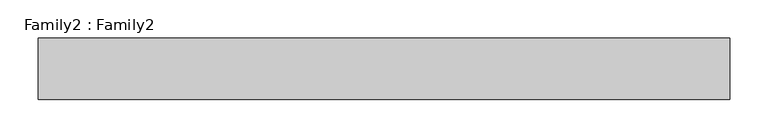
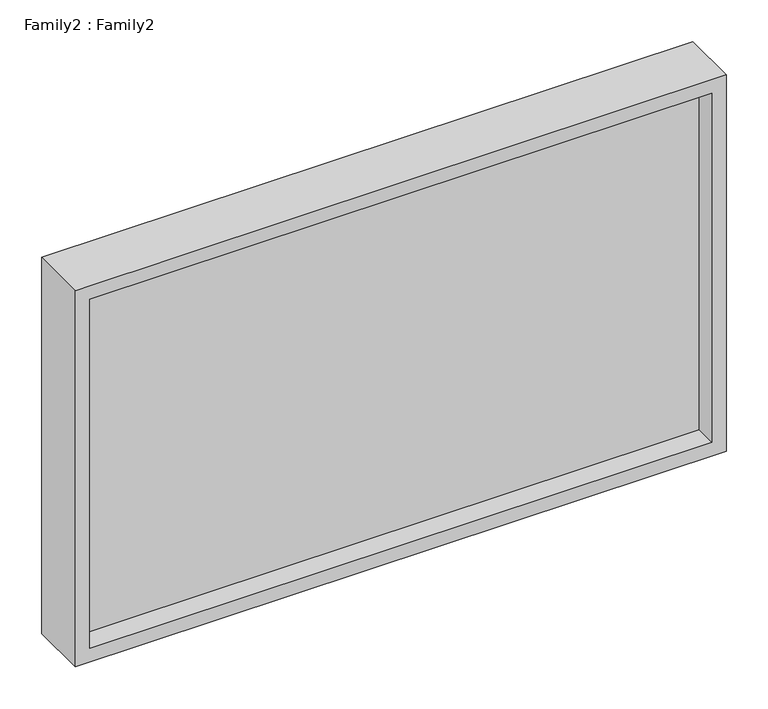
"""IFC4 building model written with IfcOpenShell, lengths in millimetres: plate geometry, Family2 : Family2."""

from ifc_helpers import new_model, si_unit, frame, origin, place, context, project, spatial, polyline, outline, extrude, source, transform, mapped, element, save


def family2_family2_de737a85(model_context):
    return source(origin(), model_context, "Body", "SweptSolid", [
        extrude(outline(polyline([(550.0, -450.0), (0.0, -450.0), (0.0, 450.0), (550.0, 450.0), (550.0, -450.0)]), holes=[polyline([(20.0, -430.0), (530.0, -430.0), (530.0, 430.0), (20.0, 430.0), (20.0, -430.0)])]), frame((0.0, -40.0, 0.0), z_axis=(0.0, 1.0, 0.0), x_axis=(0.0, 0.0, 1.0)), (0.0, 0.0, 1.0), 80.0),
        extrude(outline(polyline([(430.0, -10.0), (-430.0, -10.0), (-430.0, 10.0), (430.0, 10.0), (430.0, -10.0)])), frame((0.0, 0.0, 20.0), z_axis=(0.0, 0.0, 1.0), x_axis=(1.0, 0.0, 0.0)), (0.0, 0.0, 1.0), 510.0),
    ])


if __name__ == "__main__":
    model = new_model("IFC4")
    model_context = context("Model", 3, world=origin())
    ifc_project = project(units=[si_unit("LENGTHUNIT", "METRE", prefix="MILLI")], contexts=[model_context])
    site = spatial("IfcSite", under=ifc_project)
    building = spatial("IfcBuilding", under=site)
    placement = place(None, origin())
    family2_family2_shape = family2_family2_de737a85(model_context)
    element("IfcPlate", 1, ObjectType="Family2 : Family2", at=placement, inside=building, context=model_context, shape_type="MappedRepresentation", body=[
        mapped(family2_family2_shape, transform((0.0, 0.0, 0.0), x_axis=(1.0, 0.0, 0.0), y_axis=(0.0, 1.0, 0.0), z_axis=(0.0, 0.0, 1.0))),
    ])
    save(model, "model.ifc")
